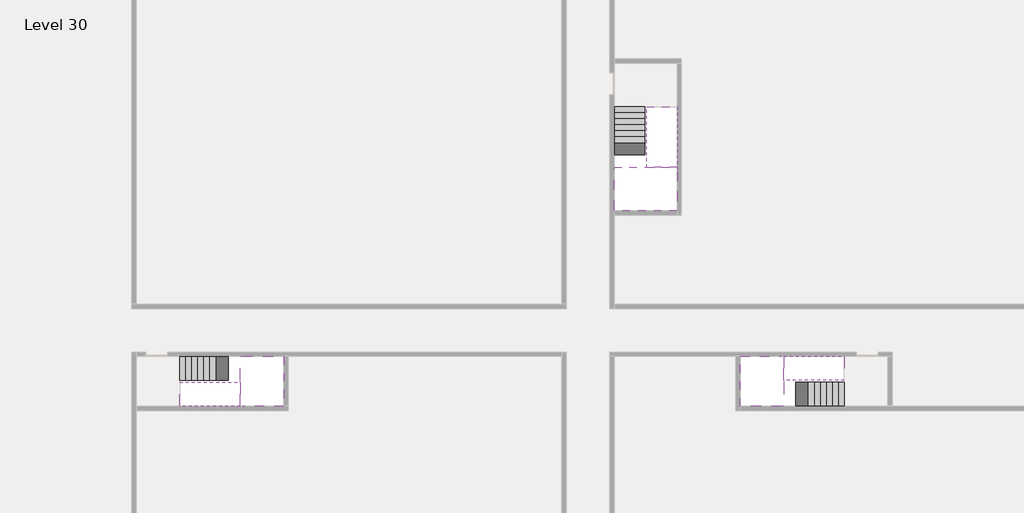
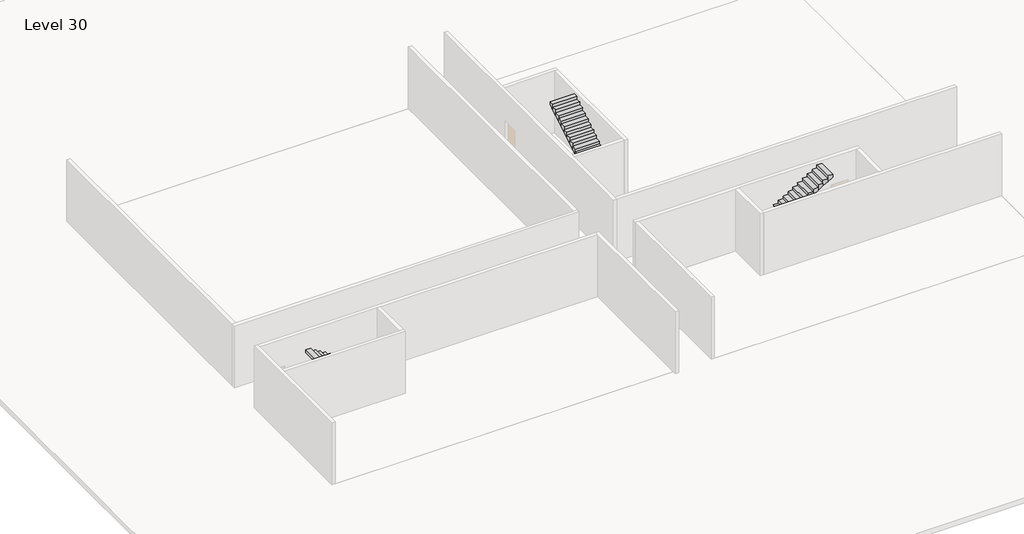
# One storey, part 2 of 2: 6 stair flights, 3 slabs.
"""IFC4 building model written with IfcOpenShell, lengths in millimetres."""

import ifcopenshell
import ifcopenshell.guid

model = None  # the IFC model being written
_history = None  # IfcOwnerHistory: only IFC2X3 demands one
_inside = {}  # id of a spatial element -> (the spatial element, [elements in it])
_under = {}  # id of a project, library or spatial element -> (it, [spatial elements below it])
_declared = {}  # id of a project -> (the project, [libraries it declares])
_typed = {}  # id of a type object -> (the type object, [elements of that type])
_made_of = {}  # id of a material, layer set ... -> (it, [elements and type objects made of it])


def new_model(schema):
    """Start an empty IFC model of exactly this schema.

    Asked for "IFC4X3", IfcOpenShell would pick the latest addendum, in which some entities
    have other attributes; the version numbers below select the first issue.
    IFC2X3 requires an IfcOwnerHistory on every rooted entity: one is made here for all.
    """
    global model, _history
    if schema == "IFC4X3":
        model = ifcopenshell.file(schema_version=(4, 3, 0, 0))
    else:
        model = ifcopenshell.file(schema=schema)
    _inside.clear()
    _under.clear()
    _declared.clear()
    _typed.clear()
    _made_of.clear()
    _history = None
    if model.schema == "IFC2X3":
        org = make("IfcOrganization", Name="unknown")
        user = make(
            "IfcPersonAndOrganization",
            ThePerson=make("IfcPerson", FamilyName="unknown"),
            TheOrganization=org,
        )
        app = make(
            "IfcApplication",
            ApplicationDeveloper=org,
            Version="unknown",
            ApplicationFullName="unknown",
            ApplicationIdentifier="unknown",
        )
        _history = make(
            "IfcOwnerHistory",
            OwningUser=user,
            OwningApplication=app,
            ChangeAction="ADDED",
            CreationDate=0,
        )
    return model


def make(cls, **values):
    """One entity of the class cls with the attributes given. An attribute that is None is left unset."""
    return model.create_entity(
        cls, **{name: value for name, value in values.items() if value is not None}
    )


def rooted(cls, **values):
    """An entity with a GlobalId (a new one), such as an element, a storey or a relation."""
    return make(cls, GlobalId=ifcopenshell.guid.new(), OwnerHistory=_history, **values)


def si_unit(unit_type, name, prefix=None):
    """IfcSIUnit, for example si_unit("LENGTHUNIT", "METRE", prefix="MILLI")."""
    return make("IfcSIUnit", UnitType=unit_type, Prefix=prefix, Name=name)


def assignment(units):
    """IfcUnitAssignment: the units of a project."""
    return None if units is None else make("IfcUnitAssignment", Units=units)


def point(xyz):
    """IfcCartesianPoint."""
    return None if xyz is None else make("IfcCartesianPoint", Coordinates=xyz)


def direction(xyz):
    """IfcDirection."""
    return None if xyz is None else make("IfcDirection", DirectionRatios=xyz)


def frame(location, z_axis=None, x_axis=None):
    """IfcAxis2Placement3D, a coordinate frame: its origin and axes. An axis left out is left unset."""
    return make(
        "IfcAxis2Placement3D",
        Location=point(location),
        Axis=direction(z_axis),
        RefDirection=direction(x_axis),
    )


def origin():
    """The frame at (0, 0, 0) with its axes left unset."""
    return frame((0.0, 0.0, 0.0))


def place(relative_to, where):
    """IfcLocalPlacement: puts the frame where relative to a parent placement (None: the world)."""
    return make(
        "IfcLocalPlacement", PlacementRelTo=relative_to, RelativePlacement=where
    )


def context(
    kind, dimensions, precision=None, world=None, true_north=None, identifier=None
):
    """IfcGeometricRepresentationContext, for example the 3D "Model" context."""
    return make(
        "IfcGeometricRepresentationContext",
        ContextIdentifier=identifier,
        ContextType=kind,
        CoordinateSpaceDimension=dimensions,
        Precision=precision,
        WorldCoordinateSystem=world,
        TrueNorth=true_north,
    )


def project(units=None, contexts=None):
    """IfcProject with its units and contexts."""
    return rooted(
        "IfcProject",
        Name="project",
        RepresentationContexts=contexts,
        UnitsInContext=assignment(units),
    )


def spatial(cls, under=None, at=None, **own):
    """A site, building, storey or space (cls), placed at a placement, below another one or the project."""
    s = rooted(cls, ObjectPlacement=at, **own)
    if under is not None:
        _under.setdefault(under.id(), (under, []))[1].append(s)
    return s


def faces_of(points, faces, orient=None, outer=None):
    """IfcFace entities. A face is a list of loops; a loop is a list of indices into points, from 0.

    orient and outer hold one flag for each loop. By default every Orientation is true, the
    first loop of a face is its IfcFaceOuterBound and the others are IfcFaceBound.
    """
    made = []
    for i, loops in enumerate(faces):
        bounds = []
        for j, loop in enumerate(loops):
            is_outer = j == 0 if outer is None else outer[i][j]
            bounds.append(
                make(
                    "IfcFaceOuterBound" if is_outer else "IfcFaceBound",
                    Bound=make("IfcPolyLoop", Polygon=[points[k] for k in loop]),
                    Orientation=True if orient is None else orient[i][j],
                )
            )
        made.append(make("IfcFace", Bounds=bounds))
    return made


def faceted_brep(points, faces, orient=None, outer=None, voids=None):
    """IfcFacetedBrep: a solid bounded by flat faces; with voids (closed shells), ...WithVoids."""
    shared = [point(p) for p in points]
    hull = make("IfcClosedShell", CfsFaces=faces_of(shared, faces, orient, outer))
    if voids is None:
        return make("IfcFacetedBrep", Outer=hull)
    return make(
        "IfcFacetedBrepWithVoids",
        Outer=hull,
        Voids=[
            make(cls, CfsFaces=faces_of(shared, fs, o, b)) for cls, fs, o, b in voids
        ],
    )


def shape(context_of_items, identifier, shape_type, items):
    """IfcShapeRepresentation: the items that make up one representation, for example the "Body"."""
    return make(
        "IfcShapeRepresentation",
        ContextOfItems=context_of_items,
        RepresentationIdentifier=identifier,
        RepresentationType=shape_type,
        Items=items,
    )


def made_of(thing, what):
    """Note that an element or type object is made of a material, layer set ...; save() writes the relation."""
    if what is not None:
        _made_of.setdefault(what.id(), (what, []))[1].append(thing)
    return thing


def element(
    cls,
    number,
    at=None,
    inside=None,
    cuts=None,
    type_object=None,
    material=None,
    context=None,
    identifier="Body",
    shape_type=None,
    held_by="IfcProductDefinitionShape",
    body=None,
    shapes=None,
    **own,
):
    """One element of the class cls, such as IfcWall. Its Tag is "e" and its number.

    at: its placement. inside: the storey or other place that contains it. cuts: it is an
    opening in that element (IfcRelVoidsElement). A single representation is given by context,
    identifier, shape_type and body (its items); several are given by shapes. held_by: the class
    of the entity that holds the representations. save() writes the other relations.
    """
    e = rooted(cls, Tag="e%d" % number, ObjectPlacement=at, **own)
    if body is not None:
        shapes = [shape(context, identifier, shape_type, body)]
    if shapes is not None:
        e.Representation = make(held_by, Representations=shapes)
    if inside is not None:
        _inside.setdefault(inside.id(), (inside, []))[1].append(e)
    if cuts is not None:
        rooted(
            "IfcRelVoidsElement", RelatingBuildingElement=cuts, RelatedOpeningElement=e
        )
    if type_object is not None:
        _typed.setdefault(type_object.id(), (type_object, []))[1].append(e)
    return made_of(e, material)


def aggregate(whole, parts):
    """IfcRelAggregates: a whole, such as a stair, and the parts it consists of."""
    return rooted("IfcRelAggregates", RelatingObject=whole, RelatedObjects=parts)


def save(model, path):
    """Write the relations noted so far, then the file.

    IfcRelAggregates (storeys below a building ...), IfcRelContainedInSpatialStructure (elements
    in a storey), IfcRelDefinesByType, IfcRelAssociatesMaterial and IfcRelDeclares: one each for
    every whole, place, type object, material and project.
    """
    for whole, parts in _under.values():
        aggregate(whole, parts)
    for where, things in _inside.values():
        rooted(
            "IfcRelContainedInSpatialStructure",
            RelatedElements=things,
            RelatingStructure=where,
        )
    for kind, things in _typed.values():
        rooted("IfcRelDefinesByType", RelatedObjects=things, RelatingType=kind)
    for what, things in _made_of.values():
        rooted("IfcRelAssociatesMaterial", RelatedObjects=things, RelatingMaterial=what)
    for by, libraries in _declared.values():
        rooted("IfcRelDeclares", RelatingContext=by, RelatedDefinitions=libraries)
    model.write(path)


model = new_model("IFC4")

# Units and contexts
model_context = context("Model", 3, world=origin())
ifc_project = project(units=[si_unit("LENGTHUNIT", "METRE", prefix="MILLI")], contexts=[model_context])

# Site, building, storey
site = spatial("IfcSite", under=ifc_project)
building = spatial("IfcBuilding", under=site)
storey = spatial("IfcBuildingStorey", under=building, Name="Level 30", Elevation=110200.0)

# Slabs
placement = place(None, origin())
element("IfcSlab", 1, at=placement, inside=storey, context=model_context, shape_type="Brep", body=[
    faceted_brep([(8190.1058784, -42918.09644, 112100.0), (8190.1058784, -44018.09644, 112100.0), (8190.1058784, -44118.09644, 112100.0), (8190.1058784, -45218.09644, 112100.0), (8390.7194421, -45218.09644, 112100.0), (10190.1058784, -45218.09644, 112100.0), (10190.1058784, -42918.09644, 112100.0), (8269.4923146, -42918.09644, 112100.0), (8190.1058784, -42918.09644, 111927.2727273), (8190.1058784, -42918.09644, 111751.0278478), (8190.1058784, -44018.09644, 111751.0278478), (8190.1058784, -44018.09644, 111800.0), (8190.1058784, -44118.09644, 111800.0), (8190.1058784, -44118.09644, 111923.7551205), (8190.1058784, -45218.09644, 111923.7551205), (8390.7194421, -45218.09644, 111800.0), (10190.1058784, -45218.09644, 111800.0), (10190.1058784, -42918.09644, 111800.0), (8269.4923146, -42918.09644, 111800.0), (8390.7194421, -44118.09644, 111800.0), (8269.4923146, -44018.09644, 111800.0)], [[[0, 1, 2, 3, 4, 5, 6, 7]], [[1, 0, 8, 9, 10, 11]], [[2, 1, 11, 12, 13]], [[3, 2, 13, 14]], [[3, 14, 15, 16, 5, 4]], [[6, 5, 16, 17]], [[9, 8, 0, 7, 6, 17, 18]], [[19, 12, 11, 20, 18, 17, 16, 15]], [[12, 19, 13]], [[18, 20, 10, 9]], [[20, 11, 10]], [[19, 15, 14, 13]]]),
])
element("IfcSlab", 2, at=placement, inside=storey, context=model_context, shape_type="Brep", body=[
    faceted_brep([(33190.1058784, -45218.09644, 112100.0), (33190.1058784, -44118.09644, 112100.0), (33190.1058784, -44018.09644, 112100.0), (33190.1058784, -42918.09644, 112100.0), (32989.4923146, -42918.09644, 112100.0), (31190.1058784, -42918.09644, 112100.0), (31190.1058784, -45218.09644, 112100.0), (33110.7194421, -45218.09644, 112100.0), (33190.1058784, -45218.09644, 111927.2727273), (33190.1058784, -45218.09644, 111751.0278478), (33190.1058784, -44118.09644, 111751.0278478), (33190.1058784, -44118.09644, 111800.0), (33190.1058784, -44018.09644, 111800.0), (33190.1058784, -44018.09644, 111923.7551205), (33190.1058784, -42918.09644, 111923.7551205), (32989.4923146, -42918.09644, 111800.0), (31190.1058784, -42918.09644, 111800.0), (31190.1058784, -45218.09644, 111800.0), (33110.7194421, -45218.09644, 111800.0), (32989.4923146, -44018.09644, 111800.0), (33110.7194421, -44118.09644, 111800.0)], [[[0, 1, 2, 3, 4, 5, 6, 7]], [[1, 0, 8, 9, 10, 11]], [[2, 1, 11, 12, 13]], [[3, 2, 13, 14]], [[3, 14, 15, 16, 5, 4]], [[6, 5, 16, 17]], [[9, 8, 0, 7, 6, 17, 18]], [[19, 12, 11, 20, 18, 17, 16, 15]], [[12, 19, 13]], [[18, 20, 10, 9]], [[20, 11, 10]], [[19, 15, 14, 13]]]),
])
element("IfcSlab", 3, at=placement, inside=storey, context=model_context, shape_type="Brep", body=[
    faceted_brep([(26790.1058784, -34218.09644, 112100.0), (25390.1058784, -34218.09644, 112100.0), (25390.1058784, -34297.4828763, 112100.0), (25390.1058784, -36218.09644, 112100.0), (28290.1058784, -36218.09644, 112100.0), (28290.1058784, -34418.7100038, 112100.0), (28290.1058784, -34218.09644, 112100.0), (26890.1058784, -34218.09644, 112100.0), (26790.1058784, -34218.09644, 111800.0), (26790.1058784, -34218.09644, 111751.0278478), (25390.1058784, -34218.09644, 111751.0278478), (25390.1058784, -34218.09644, 111927.2727273), (25390.1058784, -34297.4828763, 111800.0), (25390.1058784, -36218.09644, 111800.0), (28290.1058784, -36218.09644, 111800.0), (28290.1058784, -34418.7100038, 111800.0), (28290.1058784, -34218.09644, 111923.7551205), (26890.1058784, -34218.09644, 111923.7551205), (26890.1058784, -34218.09644, 111800.0), (26890.1058784, -34418.7100038, 111800.0), (26790.1058784, -34297.4828763, 111800.0)], [[[0, 1, 2, 3, 4, 5, 6, 7]], [[1, 0, 8, 9, 10, 11]], [[1, 11, 10, 12, 13, 3, 2]], [[4, 3, 13, 14]], [[4, 14, 15, 16, 6, 5]], [[7, 6, 16, 17]], [[0, 7, 17, 18, 8]], [[18, 19, 15, 14, 13, 12, 20, 8]], [[19, 18, 17]], [[20, 12, 10, 9]], [[8, 20, 9]], [[15, 19, 17, 16]]]),
])

# Stair flights
element("IfcStairFlight", 4, at=placement, inside=storey, context=model_context, shape_type="Brep", body=[
    faceted_brep([(5670.1058784, -42918.09644, 110372.7272727), (5390.1058784, -42918.09644, 110372.7272727), (5390.1058784, -44018.09644, 110372.7272727), (5670.1058784, -44018.09644, 110372.7272727), (5670.1058784, -42918.09644, 110200.0), (5390.1058784, -42918.09644, 110200.0), (5390.1058784, -44018.09644, 110200.0), (5670.1058784, -44018.09644, 110200.0), (5950.1058784, -42918.09644, 110545.4545455), (5670.1058784, -42918.09644, 110545.4545455), (5670.1058784, -44018.09644, 110545.4545455), (5950.1058784, -44018.09644, 110545.4545455), (5950.1058784, -42918.09644, 110369.209666), (5675.8081041, -42918.09644, 110200.0), (5675.8081041, -44018.09644, 110200.0), (5950.1058784, -44018.09644, 110369.209666), (6230.1058784, -42918.09644, 110718.1818182), (5950.1058784, -42918.09644, 110718.1818182), (5950.1058784, -44018.09644, 110718.1818182), (6230.1058784, -44018.09644, 110718.1818182), (6230.1058784, -42918.09644, 110541.9369387), (6230.1058784, -44018.09644, 110541.9369387), (6510.1058784, -42918.09644, 110890.9090909), (6230.1058784, -42918.09644, 110890.9090909), (6230.1058784, -44018.09644, 110890.9090909), (6510.1058784, -44018.09644, 110890.9090909), (6510.1058784, -42918.09644, 110714.6642114), (6510.1058784, -44018.09644, 110714.6642114), (6790.1058784, -42918.09644, 111063.6363636), (6510.1058784, -42918.09644, 111063.6363636), (6510.1058784, -44018.09644, 111063.6363636), (6790.1058784, -44018.09644, 111063.6363636), (6790.1058784, -42918.09644, 110887.3914841), (6790.1058784, -44018.09644, 110887.3914841), (7070.1058784, -42918.09644, 111236.3636364), (6790.1058784, -42918.09644, 111236.3636364), (6790.1058784, -44018.09644, 111236.3636364), (7070.1058784, -44018.09644, 111236.3636364), (7070.1058784, -42918.09644, 111060.1187569), (7070.1058784, -44018.09644, 111060.1187569), (7350.1058784, -42918.09644, 111409.0909091), (7070.1058784, -42918.09644, 111409.0909091), (7070.1058784, -44018.09644, 111409.0909091), (7350.1058784, -44018.09644, 111409.0909091), (7350.1058784, -42918.09644, 111232.8460296), (7350.1058784, -44018.09644, 111232.8460296), (7630.1058784, -42918.09644, 111581.8181818), (7350.1058784, -42918.09644, 111581.8181818), (7350.1058784, -44018.09644, 111581.8181818), (7630.1058784, -44018.09644, 111581.8181818), (7630.1058784, -42918.09644, 111405.5733023), (7630.1058784, -44018.09644, 111405.5733023), (7910.1058784, -42918.09644, 111754.5454545), (7630.1058784, -42918.09644, 111754.5454545), (7630.1058784, -44018.09644, 111754.5454545), (7910.1058784, -44018.09644, 111754.5454545), (7910.1058784, -42918.09644, 111578.3005751), (7910.1058784, -44018.09644, 111578.3005751), (8190.1058784, -42918.09644, 111927.2727273), (7910.1058784, -42918.09644, 111927.2727273), (7910.1058784, -44018.09644, 111927.2727273), (8190.1058784, -44018.09644, 111927.2727273), (8190.1058784, -42918.09644, 111751.0278478), (8190.1058784, -44018.09644, 111751.0278478), (8190.1058784, -44018.09644, 111800.0)], [[[0, 1, 2, 3]], [[1, 0, 4, 5]], [[2, 1, 5, 6]], [[3, 2, 6, 7]], [[8, 9, 10, 11]], [[4, 0, 9, 8, 12, 13]], [[0, 3, 10, 9]], [[3, 7, 14, 15, 11, 10]], [[16, 17, 18, 19]], [[17, 16, 20, 12, 8]], [[8, 11, 18, 17]], [[19, 18, 11, 15, 21]], [[22, 23, 24, 25]], [[23, 22, 26, 20, 16]], [[16, 19, 24, 23]], [[25, 24, 19, 21, 27]], [[28, 29, 30, 31]], [[29, 28, 32, 26, 22]], [[22, 25, 30, 29]], [[31, 30, 25, 27, 33]], [[34, 35, 36, 37]], [[35, 34, 38, 32, 28]], [[28, 31, 36, 35]], [[37, 36, 31, 33, 39]], [[40, 41, 42, 43]], [[41, 40, 44, 38, 34]], [[34, 37, 42, 41]], [[43, 42, 37, 39, 45]], [[46, 47, 48, 49]], [[47, 46, 50, 44, 40]], [[40, 43, 48, 47]], [[49, 48, 43, 45, 51]], [[52, 53, 54, 55]], [[53, 52, 56, 50, 46]], [[46, 49, 54, 53]], [[55, 54, 49, 51, 57]], [[58, 59, 60, 61]], [[59, 58, 62, 56, 52]], [[52, 55, 60, 59]], [[61, 60, 55, 57, 63, 64]], [[58, 61, 64, 63, 62]], [[5, 4, 13, 14, 7, 6]], [[14, 13, 12, 20, 26, 32, 38, 44, 50, 56, 62, 63, 57, 51, 45, 39, 33, 27, 21, 15]]]),
])
element("IfcStairFlight", 5, at=placement, inside=storey, context=model_context, shape_type="Brep", body=[
    faceted_brep([(7910.1058784, -45218.09644, 112272.7272727), (8190.1058784, -45218.09644, 112272.7272727), (8190.1058784, -44118.09644, 112272.7272727), (7910.1058784, -44118.09644, 112272.7272727), (7910.1058784, -45218.09644, 112096.4823932), (8190.1058784, -45218.09644, 111923.7551205), (8190.1058784, -45218.09644, 112100.0), (8190.1058784, -44118.09644, 111923.7551205), (7910.1058784, -44118.09644, 112096.4823932), (7630.1058784, -45218.09644, 112445.4545455), (7910.1058784, -45218.09644, 112445.4545455), (7910.1058784, -44118.09644, 112445.4545455), (7630.1058784, -44118.09644, 112445.4545455), (7630.1058784, -45218.09644, 112269.209666), (7630.1058784, -44118.09644, 112269.209666), (7350.1058784, -45218.09644, 112618.1818182), (7630.1058784, -45218.09644, 112618.1818182), (7630.1058784, -44118.09644, 112618.1818182), (7350.1058784, -44118.09644, 112618.1818182), (7350.1058784, -45218.09644, 112441.9369387), (7350.1058784, -44118.09644, 112441.9369387), (7070.1058784, -45218.09644, 112790.9090909), (7350.1058784, -45218.09644, 112790.9090909), (7350.1058784, -44118.09644, 112790.9090909), (7070.1058784, -44118.09644, 112790.9090909), (7070.1058784, -45218.09644, 112614.6642114), (7070.1058784, -44118.09644, 112614.6642114), (6790.1058784, -45218.09644, 112963.6363636), (7070.1058784, -45218.09644, 112963.6363636), (7070.1058784, -44118.09644, 112963.6363636), (6790.1058784, -44118.09644, 112963.6363636), (6790.1058784, -45218.09644, 112787.3914841), (6790.1058784, -44118.09644, 112787.3914841), (6510.1058784, -45218.09644, 113136.3636364), (6790.1058784, -45218.09644, 113136.3636364), (6790.1058784, -44118.09644, 113136.3636364), (6510.1058784, -44118.09644, 113136.3636364), (6510.1058784, -45218.09644, 112960.1187569), (6510.1058784, -44118.09644, 112960.1187569), (6230.1058784, -45218.09644, 113309.0909091), (6510.1058784, -45218.09644, 113309.0909091), (6510.1058784, -44118.09644, 113309.0909091), (6230.1058784, -44118.09644, 113309.0909091), (6230.1058784, -45218.09644, 113132.8460296), (6230.1058784, -44118.09644, 113132.8460296), (5950.1058784, -45218.09644, 113481.8181818), (6230.1058784, -45218.09644, 113481.8181818), (6230.1058784, -44118.09644, 113481.8181818), (5950.1058784, -44118.09644, 113481.8181818), (5950.1058784, -45218.09644, 113305.5733023), (5950.1058784, -44118.09644, 113305.5733023), (5670.1058784, -45218.09644, 113654.5454545), (5950.1058784, -45218.09644, 113654.5454545), (5950.1058784, -44118.09644, 113654.5454545), (5670.1058784, -44118.09644, 113654.5454545), (5670.1058784, -45218.09644, 113478.3005751), (5670.1058784, -44118.09644, 113478.3005751), (5390.1058784, -45218.09644, 113827.2727273), (5670.1058784, -45218.09644, 113827.2727273), (5670.1058784, -44118.09644, 113827.2727273), (5390.1058784, -44118.09644, 113827.2727273), (5390.1058784, -45218.09644, 113651.0278478), (5390.1058784, -44118.09644, 113651.0278478)], [[[0, 1, 2, 3]], [[1, 0, 4, 5, 6]], [[2, 1, 6, 5, 7]], [[3, 2, 7, 8]], [[9, 10, 11, 12]], [[10, 9, 13, 4, 0]], [[11, 10, 0, 3]], [[12, 11, 3, 8, 14]], [[15, 16, 17, 18]], [[16, 15, 19, 13, 9]], [[17, 16, 9, 12]], [[18, 17, 12, 14, 20]], [[21, 22, 23, 24]], [[22, 21, 25, 19, 15]], [[23, 22, 15, 18]], [[24, 23, 18, 20, 26]], [[27, 28, 29, 30]], [[28, 27, 31, 25, 21]], [[29, 28, 21, 24]], [[30, 29, 24, 26, 32]], [[33, 34, 35, 36]], [[34, 33, 37, 31, 27]], [[35, 34, 27, 30]], [[36, 35, 30, 32, 38]], [[39, 40, 41, 42]], [[40, 39, 43, 37, 33]], [[41, 40, 33, 36]], [[42, 41, 36, 38, 44]], [[45, 46, 47, 48]], [[46, 45, 49, 43, 39]], [[47, 46, 39, 42]], [[48, 47, 42, 44, 50]], [[51, 52, 53, 54]], [[52, 51, 55, 49, 45]], [[53, 52, 45, 48]], [[54, 53, 48, 50, 56]], [[57, 58, 59, 60]], [[58, 57, 61, 55, 51]], [[59, 58, 51, 54]], [[60, 59, 54, 56, 62]], [[57, 60, 62, 61]], [[5, 4, 13, 19, 25, 31, 37, 43, 49, 55, 61, 62, 56, 50, 44, 38, 32, 26, 20, 14, 8, 7]]]),
])
element("IfcStairFlight", 6, at=placement, inside=storey, context=model_context, shape_type="Brep", body=[
    faceted_brep([(35710.1058784, -45218.09644, 110372.7272727), (35990.1058784, -45218.09644, 110372.7272727), (35990.1058784, -44118.09644, 110372.7272727), (35710.1058784, -44118.09644, 110372.7272727), (35710.1058784, -45218.09644, 110200.0), (35990.1058784, -45218.09644, 110200.0), (35990.1058784, -44118.09644, 110200.0), (35710.1058784, -44118.09644, 110200.0), (35430.1058784, -45218.09644, 110545.4545455), (35710.1058784, -45218.09644, 110545.4545455), (35710.1058784, -44118.09644, 110545.4545455), (35430.1058784, -44118.09644, 110545.4545455), (35430.1058784, -45218.09644, 110369.209666), (35704.4036527, -45218.09644, 110200.0), (35704.4036527, -44118.09644, 110200.0), (35430.1058784, -44118.09644, 110369.209666), (35150.1058784, -45218.09644, 110718.1818182), (35430.1058784, -45218.09644, 110718.1818182), (35430.1058784, -44118.09644, 110718.1818182), (35150.1058784, -44118.09644, 110718.1818182), (35150.1058784, -45218.09644, 110541.9369387), (35150.1058784, -44118.09644, 110541.9369387), (34870.1058784, -45218.09644, 110890.9090909), (35150.1058784, -45218.09644, 110890.9090909), (35150.1058784, -44118.09644, 110890.9090909), (34870.1058784, -44118.09644, 110890.9090909), (34870.1058784, -45218.09644, 110714.6642114), (34870.1058784, -44118.09644, 110714.6642114), (34590.1058784, -45218.09644, 111063.6363636), (34870.1058784, -45218.09644, 111063.6363636), (34870.1058784, -44118.09644, 111063.6363636), (34590.1058784, -44118.09644, 111063.6363636), (34590.1058784, -45218.09644, 110887.3914841), (34590.1058784, -44118.09644, 110887.3914841), (34310.1058784, -45218.09644, 111236.3636364), (34590.1058784, -45218.09644, 111236.3636364), (34590.1058784, -44118.09644, 111236.3636364), (34310.1058784, -44118.09644, 111236.3636364), (34310.1058784, -45218.09644, 111060.1187569), (34310.1058784, -44118.09644, 111060.1187569), (34030.1058784, -45218.09644, 111409.0909091), (34310.1058784, -45218.09644, 111409.0909091), (34310.1058784, -44118.09644, 111409.0909091), (34030.1058784, -44118.09644, 111409.0909091), (34030.1058784, -45218.09644, 111232.8460296), (34030.1058784, -44118.09644, 111232.8460296), (33750.1058784, -45218.09644, 111581.8181818), (34030.1058784, -45218.09644, 111581.8181818), (34030.1058784, -44118.09644, 111581.8181818), (33750.1058784, -44118.09644, 111581.8181818), (33750.1058784, -45218.09644, 111405.5733023), (33750.1058784, -44118.09644, 111405.5733023), (33470.1058784, -45218.09644, 111754.5454545), (33750.1058784, -45218.09644, 111754.5454545), (33750.1058784, -44118.09644, 111754.5454545), (33470.1058784, -44118.09644, 111754.5454545), (33470.1058784, -45218.09644, 111578.3005751), (33470.1058784, -44118.09644, 111578.3005751), (33190.1058784, -45218.09644, 111927.2727273), (33470.1058784, -45218.09644, 111927.2727273), (33470.1058784, -44118.09644, 111927.2727273), (33190.1058784, -44118.09644, 111927.2727273), (33190.1058784, -45218.09644, 111751.0278478), (33190.1058784, -44118.09644, 111751.0278478), (33190.1058784, -44118.09644, 111800.0)], [[[0, 1, 2, 3]], [[1, 0, 4, 5]], [[2, 1, 5, 6]], [[3, 2, 6, 7]], [[8, 9, 10, 11]], [[4, 0, 9, 8, 12, 13]], [[0, 3, 10, 9]], [[3, 7, 14, 15, 11, 10]], [[16, 17, 18, 19]], [[17, 16, 20, 12, 8]], [[8, 11, 18, 17]], [[19, 18, 11, 15, 21]], [[22, 23, 24, 25]], [[23, 22, 26, 20, 16]], [[16, 19, 24, 23]], [[25, 24, 19, 21, 27]], [[28, 29, 30, 31]], [[29, 28, 32, 26, 22]], [[22, 25, 30, 29]], [[31, 30, 25, 27, 33]], [[34, 35, 36, 37]], [[35, 34, 38, 32, 28]], [[28, 31, 36, 35]], [[37, 36, 31, 33, 39]], [[40, 41, 42, 43]], [[41, 40, 44, 38, 34]], [[34, 37, 42, 41]], [[43, 42, 37, 39, 45]], [[46, 47, 48, 49]], [[47, 46, 50, 44, 40]], [[40, 43, 48, 47]], [[49, 48, 43, 45, 51]], [[52, 53, 54, 55]], [[53, 52, 56, 50, 46]], [[46, 49, 54, 53]], [[55, 54, 49, 51, 57]], [[58, 59, 60, 61]], [[59, 58, 62, 56, 52]], [[52, 55, 60, 59]], [[61, 60, 55, 57, 63, 64]], [[58, 61, 64, 63, 62]], [[5, 4, 13, 14, 7, 6]], [[14, 13, 12, 20, 26, 32, 38, 44, 50, 56, 62, 63, 57, 51, 45, 39, 33, 27, 21, 15]]]),
])
element("IfcStairFlight", 7, at=placement, inside=storey, context=model_context, shape_type="Brep", body=[
    faceted_brep([(33470.1058784, -42918.09644, 112272.7272727), (33190.1058784, -42918.09644, 112272.7272727), (33190.1058784, -44018.09644, 112272.7272727), (33470.1058784, -44018.09644, 112272.7272727), (33470.1058784, -42918.09644, 112096.4823932), (33190.1058784, -42918.09644, 111923.7551205), (33190.1058784, -42918.09644, 112100.0), (33190.1058784, -44018.09644, 111923.7551205), (33470.1058784, -44018.09644, 112096.4823932), (33750.1058784, -42918.09644, 112445.4545455), (33470.1058784, -42918.09644, 112445.4545455), (33470.1058784, -44018.09644, 112445.4545455), (33750.1058784, -44018.09644, 112445.4545455), (33750.1058784, -42918.09644, 112269.209666), (33750.1058784, -44018.09644, 112269.209666), (34030.1058784, -42918.09644, 112618.1818182), (33750.1058784, -42918.09644, 112618.1818182), (33750.1058784, -44018.09644, 112618.1818182), (34030.1058784, -44018.09644, 112618.1818182), (34030.1058784, -42918.09644, 112441.9369387), (34030.1058784, -44018.09644, 112441.9369387), (34310.1058784, -42918.09644, 112790.9090909), (34030.1058784, -42918.09644, 112790.9090909), (34030.1058784, -44018.09644, 112790.9090909), (34310.1058784, -44018.09644, 112790.9090909), (34310.1058784, -42918.09644, 112614.6642114), (34310.1058784, -44018.09644, 112614.6642114), (34590.1058784, -42918.09644, 112963.6363636), (34310.1058784, -42918.09644, 112963.6363636), (34310.1058784, -44018.09644, 112963.6363636), (34590.1058784, -44018.09644, 112963.6363636), (34590.1058784, -42918.09644, 112787.3914841), (34590.1058784, -44018.09644, 112787.3914841), (34870.1058784, -42918.09644, 113136.3636364), (34590.1058784, -42918.09644, 113136.3636364), (34590.1058784, -44018.09644, 113136.3636364), (34870.1058784, -44018.09644, 113136.3636364), (34870.1058784, -42918.09644, 112960.1187569), (34870.1058784, -44018.09644, 112960.1187569), (35150.1058784, -42918.09644, 113309.0909091), (34870.1058784, -42918.09644, 113309.0909091), (34870.1058784, -44018.09644, 113309.0909091), (35150.1058784, -44018.09644, 113309.0909091), (35150.1058784, -42918.09644, 113132.8460296), (35150.1058784, -44018.09644, 113132.8460296), (35430.1058784, -42918.09644, 113481.8181818), (35150.1058784, -42918.09644, 113481.8181818), (35150.1058784, -44018.09644, 113481.8181818), (35430.1058784, -44018.09644, 113481.8181818), (35430.1058784, -42918.09644, 113305.5733023), (35430.1058784, -44018.09644, 113305.5733023), (35710.1058784, -42918.09644, 113654.5454545), (35430.1058784, -42918.09644, 113654.5454545), (35430.1058784, -44018.09644, 113654.5454545), (35710.1058784, -44018.09644, 113654.5454545), (35710.1058784, -42918.09644, 113478.3005751), (35710.1058784, -44018.09644, 113478.3005751), (35990.1058784, -42918.09644, 113827.2727273), (35710.1058784, -42918.09644, 113827.2727273), (35710.1058784, -44018.09644, 113827.2727273), (35990.1058784, -44018.09644, 113827.2727273), (35990.1058784, -42918.09644, 113651.0278478), (35990.1058784, -44018.09644, 113651.0278478)], [[[0, 1, 2, 3]], [[1, 0, 4, 5, 6]], [[2, 1, 6, 5, 7]], [[3, 2, 7, 8]], [[9, 10, 11, 12]], [[10, 9, 13, 4, 0]], [[11, 10, 0, 3]], [[12, 11, 3, 8, 14]], [[15, 16, 17, 18]], [[16, 15, 19, 13, 9]], [[17, 16, 9, 12]], [[18, 17, 12, 14, 20]], [[21, 22, 23, 24]], [[22, 21, 25, 19, 15]], [[23, 22, 15, 18]], [[24, 23, 18, 20, 26]], [[27, 28, 29, 30]], [[28, 27, 31, 25, 21]], [[29, 28, 21, 24]], [[30, 29, 24, 26, 32]], [[33, 34, 35, 36]], [[34, 33, 37, 31, 27]], [[35, 34, 27, 30]], [[36, 35, 30, 32, 38]], [[39, 40, 41, 42]], [[40, 39, 43, 37, 33]], [[41, 40, 33, 36]], [[42, 41, 36, 38, 44]], [[45, 46, 47, 48]], [[46, 45, 49, 43, 39]], [[47, 46, 39, 42]], [[48, 47, 42, 44, 50]], [[51, 52, 53, 54]], [[52, 51, 55, 49, 45]], [[53, 52, 45, 48]], [[54, 53, 48, 50, 56]], [[57, 58, 59, 60]], [[58, 57, 61, 55, 51]], [[59, 58, 51, 54]], [[60, 59, 54, 56, 62]], [[57, 60, 62, 61]], [[5, 4, 13, 19, 25, 31, 37, 43, 49, 55, 61, 62, 56, 50, 44, 38, 32, 26, 20, 14, 8, 7]]]),
])
element("IfcStairFlight", 8, at=placement, inside=storey, context=model_context, shape_type="Brep", body=[
    faceted_brep([(26790.1058784, -31698.09644, 110372.7272727), (26790.1058784, -31418.09644, 110372.7272727), (25390.1058784, -31418.09644, 110372.7272727), (25390.1058784, -31698.09644, 110372.7272727), (26790.1058784, -31698.09644, 110200.0), (26790.1058784, -31418.09644, 110200.0), (25390.1058784, -31418.09644, 110200.0), (25390.1058784, -31698.09644, 110200.0), (26790.1058784, -31978.09644, 110545.4545455), (26790.1058784, -31698.09644, 110545.4545455), (25390.1058784, -31698.09644, 110545.4545455), (25390.1058784, -31978.09644, 110545.4545455), (26790.1058784, -31978.09644, 110369.209666), (26790.1058784, -31703.7986657, 110200.0), (25390.1058784, -31703.7986657, 110200.0), (25390.1058784, -31978.09644, 110369.209666), (26790.1058784, -32258.09644, 110718.1818182), (26790.1058784, -31978.09644, 110718.1818182), (25390.1058784, -31978.09644, 110718.1818182), (25390.1058784, -32258.09644, 110718.1818182), (26790.1058784, -32258.09644, 110541.9369387), (25390.1058784, -32258.09644, 110541.9369387), (26790.1058784, -32538.09644, 110890.9090909), (26790.1058784, -32258.09644, 110890.9090909), (25390.1058784, -32258.09644, 110890.9090909), (25390.1058784, -32538.09644, 110890.9090909), (26790.1058784, -32538.09644, 110714.6642114), (25390.1058784, -32538.09644, 110714.6642114), (26790.1058784, -32818.09644, 111063.6363636), (26790.1058784, -32538.09644, 111063.6363636), (25390.1058784, -32538.09644, 111063.6363636), (25390.1058784, -32818.09644, 111063.6363636), (26790.1058784, -32818.09644, 110887.3914841), (25390.1058784, -32818.09644, 110887.3914841), (26790.1058784, -33098.09644, 111236.3636364), (26790.1058784, -32818.09644, 111236.3636364), (25390.1058784, -32818.09644, 111236.3636364), (25390.1058784, -33098.09644, 111236.3636364), (26790.1058784, -33098.09644, 111060.1187569), (25390.1058784, -33098.09644, 111060.1187569), (26790.1058784, -33378.09644, 111409.0909091), (26790.1058784, -33098.09644, 111409.0909091), (25390.1058784, -33098.09644, 111409.0909091), (25390.1058784, -33378.09644, 111409.0909091), (26790.1058784, -33378.09644, 111232.8460296), (25390.1058784, -33378.09644, 111232.8460296), (26790.1058784, -33658.09644, 111581.8181818), (26790.1058784, -33378.09644, 111581.8181818), (25390.1058784, -33378.09644, 111581.8181818), (25390.1058784, -33658.09644, 111581.8181818), (26790.1058784, -33658.09644, 111405.5733023), (25390.1058784, -33658.09644, 111405.5733023), (26790.1058784, -33938.09644, 111754.5454545), (26790.1058784, -33658.09644, 111754.5454545), (25390.1058784, -33658.09644, 111754.5454545), (25390.1058784, -33938.09644, 111754.5454545), (26790.1058784, -33938.09644, 111578.3005751), (25390.1058784, -33938.09644, 111578.3005751), (26790.1058784, -34218.09644, 111927.2727273), (26790.1058784, -33938.09644, 111927.2727273), (25390.1058784, -33938.09644, 111927.2727273), (25390.1058784, -34218.09644, 111927.2727273), (26790.1058784, -34218.09644, 111800.0), (26790.1058784, -34218.09644, 111751.0278478), (25390.1058784, -34218.09644, 111751.0278478)], [[[0, 1, 2, 3]], [[1, 0, 4, 5]], [[2, 1, 5, 6]], [[3, 2, 6, 7]], [[8, 9, 10, 11]], [[4, 0, 9, 8, 12, 13]], [[0, 3, 10, 9]], [[3, 7, 14, 15, 11, 10]], [[16, 17, 18, 19]], [[17, 16, 20, 12, 8]], [[8, 11, 18, 17]], [[19, 18, 11, 15, 21]], [[22, 23, 24, 25]], [[23, 22, 26, 20, 16]], [[16, 19, 24, 23]], [[25, 24, 19, 21, 27]], [[28, 29, 30, 31]], [[29, 28, 32, 26, 22]], [[22, 25, 30, 29]], [[31, 30, 25, 27, 33]], [[34, 35, 36, 37]], [[35, 34, 38, 32, 28]], [[28, 31, 36, 35]], [[37, 36, 31, 33, 39]], [[40, 41, 42, 43]], [[41, 40, 44, 38, 34]], [[34, 37, 42, 41]], [[43, 42, 37, 39, 45]], [[46, 47, 48, 49]], [[47, 46, 50, 44, 40]], [[40, 43, 48, 47]], [[49, 48, 43, 45, 51]], [[52, 53, 54, 55]], [[53, 52, 56, 50, 46]], [[46, 49, 54, 53]], [[55, 54, 49, 51, 57]], [[58, 59, 60, 61]], [[59, 58, 62, 63, 56, 52]], [[52, 55, 60, 59]], [[61, 60, 55, 57, 64]], [[58, 61, 64, 63, 62]], [[5, 4, 13, 14, 7, 6]], [[14, 13, 12, 20, 26, 32, 38, 44, 50, 56, 63, 64, 57, 51, 45, 39, 33, 27, 21, 15]]]),
])
element("IfcStairFlight", 9, at=placement, inside=storey, context=model_context, shape_type="Brep", body=[
    faceted_brep([(26890.1058784, -33938.09644, 112272.7272727), (26890.1058784, -34218.09644, 112272.7272727), (28290.1058784, -34218.09644, 112272.7272727), (28290.1058784, -33938.09644, 112272.7272727), (26890.1058784, -33938.09644, 112096.4823932), (26890.1058784, -34218.09644, 111923.7551205), (28290.1058784, -34218.09644, 111923.7551205), (28290.1058784, -34218.09644, 112100.0), (28290.1058784, -33938.09644, 112096.4823932), (26890.1058784, -33658.09644, 112445.4545455), (26890.1058784, -33938.09644, 112445.4545455), (28290.1058784, -33938.09644, 112445.4545455), (28290.1058784, -33658.09644, 112445.4545455), (26890.1058784, -33658.09644, 112269.209666), (28290.1058784, -33658.09644, 112269.209666), (26890.1058784, -33378.09644, 112618.1818182), (26890.1058784, -33658.09644, 112618.1818182), (28290.1058784, -33658.09644, 112618.1818182), (28290.1058784, -33378.09644, 112618.1818182), (26890.1058784, -33378.09644, 112441.9369387), (28290.1058784, -33378.09644, 112441.9369387), (26890.1058784, -33098.09644, 112790.9090909), (26890.1058784, -33378.09644, 112790.9090909), (28290.1058784, -33378.09644, 112790.9090909), (28290.1058784, -33098.09644, 112790.9090909), (26890.1058784, -33098.09644, 112614.6642114), (28290.1058784, -33098.09644, 112614.6642114), (26890.1058784, -32818.09644, 112963.6363636), (26890.1058784, -33098.09644, 112963.6363636), (28290.1058784, -33098.09644, 112963.6363636), (28290.1058784, -32818.09644, 112963.6363636), (26890.1058784, -32818.09644, 112787.3914841), (28290.1058784, -32818.09644, 112787.3914841), (26890.1058784, -32538.09644, 113136.3636364), (26890.1058784, -32818.09644, 113136.3636364), (28290.1058784, -32818.09644, 113136.3636364), (28290.1058784, -32538.09644, 113136.3636364), (26890.1058784, -32538.09644, 112960.1187569), (28290.1058784, -32538.09644, 112960.1187569), (26890.1058784, -32258.09644, 113309.0909091), (26890.1058784, -32538.09644, 113309.0909091), (28290.1058784, -32538.09644, 113309.0909091), (28290.1058784, -32258.09644, 113309.0909091), (26890.1058784, -32258.09644, 113132.8460296), (28290.1058784, -32258.09644, 113132.8460296), (26890.1058784, -31978.09644, 113481.8181818), (26890.1058784, -32258.09644, 113481.8181818), (28290.1058784, -32258.09644, 113481.8181818), (28290.1058784, -31978.09644, 113481.8181818), (26890.1058784, -31978.09644, 113305.5733023), (28290.1058784, -31978.09644, 113305.5733023), (26890.1058784, -31698.09644, 113654.5454545), (26890.1058784, -31978.09644, 113654.5454545), (28290.1058784, -31978.09644, 113654.5454545), (28290.1058784, -31698.09644, 113654.5454545), (26890.1058784, -31698.09644, 113478.3005751), (28290.1058784, -31698.09644, 113478.3005751), (26890.1058784, -31418.09644, 113827.2727273), (26890.1058784, -31698.09644, 113827.2727273), (28290.1058784, -31698.09644, 113827.2727273), (28290.1058784, -31418.09644, 113827.2727273), (26890.1058784, -31418.09644, 113651.0278478), (28290.1058784, -31418.09644, 113651.0278478)], [[[0, 1, 2, 3]], [[1, 0, 4, 5]], [[2, 1, 5, 6, 7]], [[3, 2, 7, 6, 8]], [[9, 10, 11, 12]], [[10, 9, 13, 4, 0]], [[11, 10, 0, 3]], [[12, 11, 3, 8, 14]], [[15, 16, 17, 18]], [[16, 15, 19, 13, 9]], [[17, 16, 9, 12]], [[18, 17, 12, 14, 20]], [[21, 22, 23, 24]], [[22, 21, 25, 19, 15]], [[23, 22, 15, 18]], [[24, 23, 18, 20, 26]], [[27, 28, 29, 30]], [[28, 27, 31, 25, 21]], [[29, 28, 21, 24]], [[30, 29, 24, 26, 32]], [[33, 34, 35, 36]], [[34, 33, 37, 31, 27]], [[35, 34, 27, 30]], [[36, 35, 30, 32, 38]], [[39, 40, 41, 42]], [[40, 39, 43, 37, 33]], [[41, 40, 33, 36]], [[42, 41, 36, 38, 44]], [[45, 46, 47, 48]], [[46, 45, 49, 43, 39]], [[47, 46, 39, 42]], [[48, 47, 42, 44, 50]], [[51, 52, 53, 54]], [[52, 51, 55, 49, 45]], [[53, 52, 45, 48]], [[54, 53, 48, 50, 56]], [[57, 58, 59, 60]], [[58, 57, 61, 55, 51]], [[59, 58, 51, 54]], [[60, 59, 54, 56, 62]], [[57, 60, 62, 61]], [[5, 4, 13, 19, 25, 31, 37, 43, 49, 55, 61, 62, 56, 50, 44, 38, 32, 26, 20, 14, 8, 6]]]),
])

save(model, "model.ifc")
